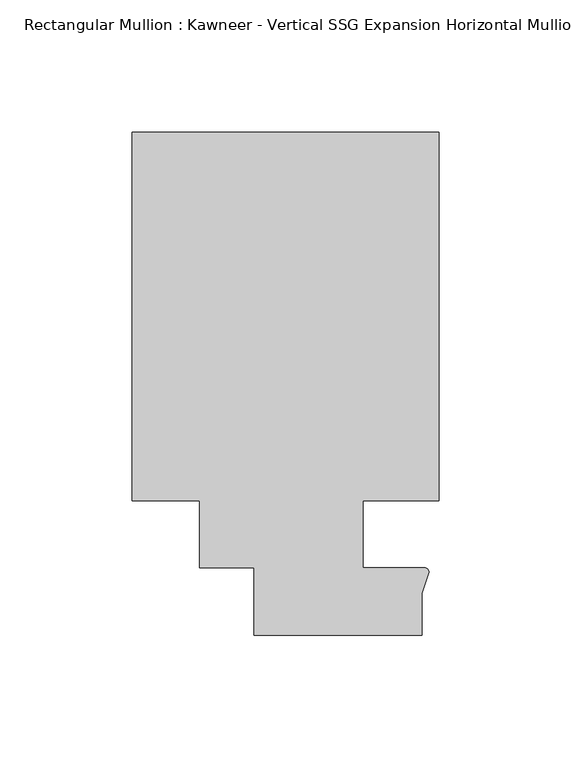
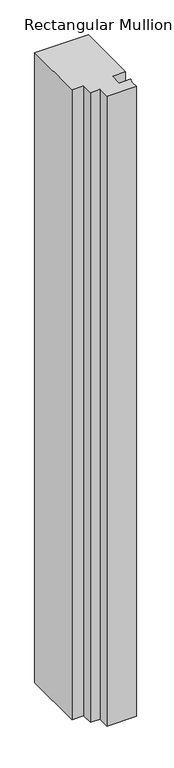
"""IFC4 building model written with IfcOpenShell, lengths in millimetres: member geometry."""

from ifc_helpers import new_model, si_unit, point, frame, frame_2d, origin, place, context, project, spatial, polyline, circle_curve, trimmed, segment, composite_curve, outline, extrude, source, transform, mapped, element, save


def member_6183add8(model_context):
    return source(origin(), model_context, "Body", "SweptSolid", [
        extrude(outline(composite_curve([segment(trimmed(circle_curve(frame_2d((48.2162832, -14.401412)), 1.703369), [point((48.2997293, -12.7000881))], [point((49.9159011, -14.2884292))], False, "CARTESIAN"), True, "CONTINUOUS"), segment(polyline([(49.9159011, -14.2884292), (47.265046, -22.2250977), (47.265046, -38.1), (-16.234954, -38.1), (-16.234954, -12.7), (-36.8958768, -12.7), (-36.8958768, 12.7), (-62.2957636, 12.7), (-62.2957636, 151.892), (53.615046, 151.892), (53.615046, 12.7), (25.0401592, 12.7), (25.0401592, -12.7000881), (48.2997293, -12.7000881)]), True, "CONTINUOUS")], self_intersect=False)), frame((0.0, 0.0, -1437.1951032), z_axis=(0.0, 0.0, 1.0), x_axis=(1.0, 0.0, 0.0)), (0.0, 0.0, 1.0), 1437.1951032),
    ])


if __name__ == "__main__":
    model = new_model("IFC4")
    model_context = context("Model", 3, world=origin())
    ifc_project = project(units=[si_unit("LENGTHUNIT", "METRE", prefix="MILLI")], contexts=[model_context])
    site = spatial("IfcSite", under=ifc_project)
    building = spatial("IfcBuilding", under=site)
    placement = place(None, origin())
    member_shape = member_6183add8(model_context)
    element("IfcMember", 1, ObjectType="Rectangular Mullion : Kawneer - Vertical SSG Expansion Horizontal Mullion - 7 1/2\"", at=placement, inside=building, context=model_context, shape_type="MappedRepresentation", body=[
        mapped(member_shape, transform((0.0, 0.0, 0.0), x_axis=(1.0, 0.0, 0.0), y_axis=(0.0, 1.0, 0.0), z_axis=(0.0, 0.0, 1.0))),
    ])
    save(model, "model.ifc")
